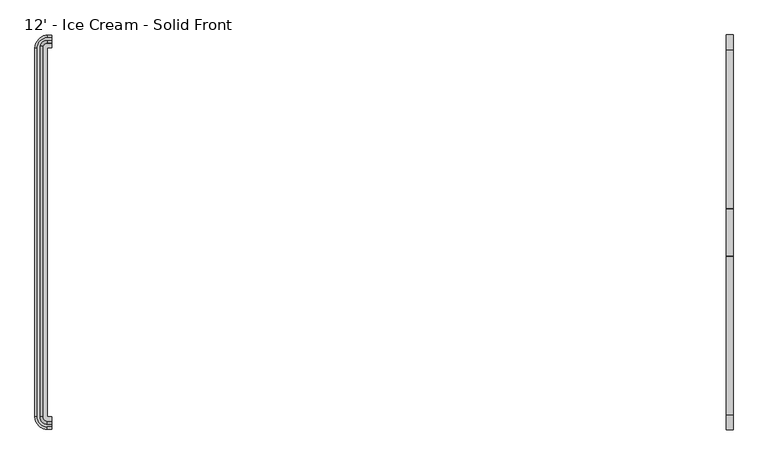
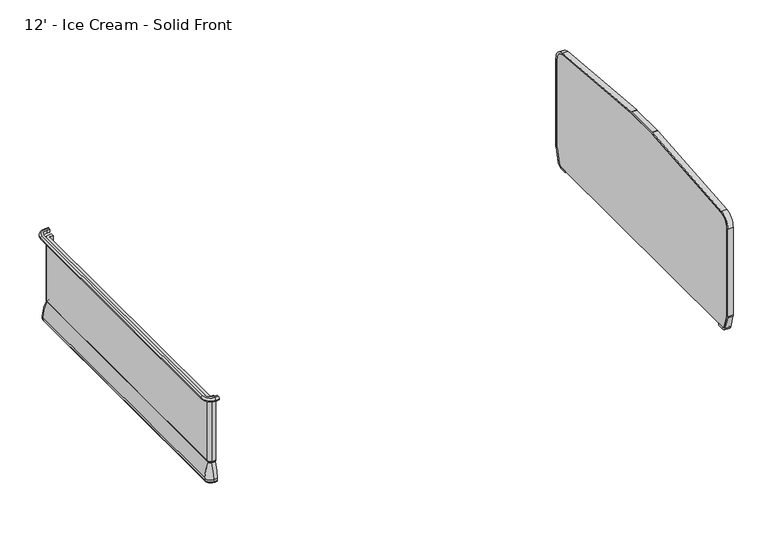
"""IFC4 building model written with IfcOpenShell, lengths in millimetres: proxy geometry, 12' - Ice Cream - Solid Front."""

from ifc_helpers import new_model, si_unit, point, frame, frame_2d, origin, place, context, project, spatial, polyline, circle_curve, ellipse_curve, trimmed, segment, composite_curve, outline, extrude, source, transform, mapped, element, save
from ifc_brep_helpers import plane_surface, cylinder_surface, revolved_surface, advanced_brep


def proxy_12_ice_cream_solid_front_b68ab770(model_context):
    return source(origin(), model_context, "Body", "SolidModel", [
        extrude(outline(composite_curve([segment(trimmed(circle_curve(frame_2d((-448.7907325, 105.4346764)), 25.4), [point((-448.7907325, 80.0346764))], [point((-424.3934681, 98.3683131))], True, "CARTESIAN"), True, "CONTINUOUS"), segment(polyline([(-424.3934681, 98.3683131), (-396.5553629, 194.4819131)]), True, "CONTINUOUS"), segment(trimmed(circle_curve(frame_2d((-420.9526273, 201.5482764)), 25.4), [point((-396.5553629, 194.4819131))], [point((-395.5526273, 201.5482764))], True, "CARTESIAN"), True, "CONTINUOUS"), segment(polyline([(-395.5526273, 201.5482764), (-395.5526273, 867.4346764)]), True, "CONTINUOUS"), segment(trimmed(circle_curve(frame_2d((-471.7526273, 867.4346764)), 76.2), [point((-395.5526273, 867.4346764))], [point((-465.008014, 943.3355999))], True, "CARTESIAN"), True, "CONTINUOUS"), segment(polyline([(-465.008014, 943.3355999), (-1324.7732229, 1019.7349842)]), True, "CONTINUOUS"), segment(trimmed(circle_curve(frame_2d((-1327.0214273, 994.4346764)), 25.4), [point((-1324.7732229, 1019.7349842))], [point((-1327.0214273, 1019.8346764))], True, "CARTESIAN"), True, "CONTINUOUS"), segment(polyline([(-1327.0214273, 1019.8346764), (-1581.0214273, 1019.8346764)]), True, "CONTINUOUS"), segment(trimmed(circle_curve(frame_2d((-1581.0214273, 994.4346764)), 25.4), [point((-1581.0214273, 1019.8346764))], [point((-1583.2696317, 1019.7349842))], True, "CARTESIAN"), True, "CONTINUOUS"), segment(polyline([(-1583.2696317, 1019.7349842), (-2443.0348406, 943.3355999)]), True, "CONTINUOUS"), segment(trimmed(circle_curve(frame_2d((-2436.2902273, 867.4346764)), 76.2), [point((-2443.0348406, 943.3355999))], [point((-2512.4902273, 867.4346764))], True, "CARTESIAN"), True, "CONTINUOUS"), segment(polyline([(-2512.4902273, 867.4346764), (-2512.4902273, 201.5482764)]), True, "CONTINUOUS"), segment(trimmed(circle_curve(frame_2d((-2487.0902273, 201.5482764)), 25.4), [point((-2512.4902273, 201.5482764))], [point((-2511.4874917, 194.4819131))], True, "CARTESIAN"), True, "CONTINUOUS"), segment(polyline([(-2511.4874917, 194.4819131), (-2483.6493865, 98.3683131)]), True, "CONTINUOUS"), segment(trimmed(circle_curve(frame_2d((-2459.2521221, 105.4346764)), 25.4), [point((-2483.6493865, 98.3683131))], [point((-2459.2521221, 80.0346764))], True, "CARTESIAN"), True, "CONTINUOUS"), segment(polyline([(-2459.2521221, 80.0346764), (-2409.6329734, 80.0346764), (-2409.6329734, 67.3346764), (-2459.2521221, 67.3346764)]), True, "CONTINUOUS"), segment(trimmed(circle_curve(frame_2d((-2459.2521221, 105.4346764)), 38.1), [point((-2459.2521221, 67.3346764))], [point((-2495.8480186, 94.8351315))], False, "CARTESIAN"), True, "CONTINUOUS"), segment(polyline([(-2495.8480186, 94.8351315), (-2523.6861239, 190.9487315)]), True, "CONTINUOUS"), segment(trimmed(circle_curve(frame_2d((-2487.0902273, 201.5482764)), 38.1), [point((-2523.6861239, 190.9487315))], [point((-2525.1902273, 201.5482764))], False, "CARTESIAN"), True, "CONTINUOUS"), segment(polyline([(-2525.1902273, 201.5482764), (-2525.1902273, 867.4346764)]), True, "CONTINUOUS"), segment(trimmed(circle_curve(frame_2d((-2436.2902273, 867.4346764)), 88.9), [point((-2525.1902273, 867.4346764))], [point((-2444.1589428, 955.9857538))], False, "CARTESIAN"), True, "CONTINUOUS"), segment(polyline([(-2444.1589428, 955.9857538), (-1584.3937339, 1032.3851381)]), True, "CONTINUOUS"), segment(trimmed(circle_curve(frame_2d((-1581.0214273, 994.4346764)), 38.1), [point((-1584.3937339, 1032.3851381))], [point((-1581.0214273, 1032.5346764))], False, "CARTESIAN"), True, "CONTINUOUS"), segment(polyline([(-1581.0214273, 1032.5346764), (-1327.0214273, 1032.5346764)]), True, "CONTINUOUS"), segment(trimmed(circle_curve(frame_2d((-1327.0214273, 994.4346764)), 38.1), [point((-1327.0214273, 1032.5346764))], [point((-1323.6491207, 1032.3851381))], False, "CARTESIAN"), True, "CONTINUOUS"), segment(polyline([(-1323.6491207, 1032.3851381), (-463.8839118, 955.9857538)]), True, "CONTINUOUS"), segment(trimmed(circle_curve(frame_2d((-471.7526273, 867.4346764)), 88.9), [point((-463.8839118, 955.9857538))], [point((-382.8526273, 867.4346764))], False, "CARTESIAN"), True, "CONTINUOUS"), segment(polyline([(-382.8526273, 867.4346764), (-382.8526273, 201.5482764)]), True, "CONTINUOUS"), segment(trimmed(circle_curve(frame_2d((-420.9526273, 201.5482764)), 38.1), [point((-382.8526273, 201.5482764))], [point((-384.3567307, 190.9487315))], False, "CARTESIAN"), True, "CONTINUOUS"), segment(polyline([(-384.3567307, 190.9487315), (-412.1948359, 94.8351315)]), True, "CONTINUOUS"), segment(trimmed(circle_curve(frame_2d((-448.7907325, 105.4346764)), 38.1), [point((-412.1948359, 94.8351315))], [point((-448.7907325, 67.3346764))], False, "CARTESIAN"), True, "CONTINUOUS"), segment(polyline([(-448.7907325, 67.3346764), (-498.4098812, 67.3346764), (-498.4098812, 80.0346764), (-448.7907325, 80.0346764)]), True, "CONTINUOUS")], self_intersect=False)), frame((3657.6, 0.0, 0.0), z_axis=(1.0, 0.0, 0.0), x_axis=(0.0, 1.0, 0.0)), (0.0, 0.0, 1.0), 38.1),
        extrude(outline(composite_curve([segment(polyline([(-448.7907325, 80.0346764), (-2459.2521221, 80.0346764)]), True, "CONTINUOUS"), segment(trimmed(circle_curve(frame_2d((-2459.2521221, 105.4346764)), 25.4), [point((-2459.2521221, 80.0346764))], [point((-2483.6493865, 98.3683131))], False, "CARTESIAN"), True, "CONTINUOUS"), segment(polyline([(-2483.6493865, 98.3683131), (-2511.4874917, 194.4819131)]), True, "CONTINUOUS"), segment(trimmed(circle_curve(frame_2d((-2487.0902273, 201.5482764)), 25.4), [point((-2511.4874917, 194.4819131))], [point((-2512.4902273, 201.5482764))], False, "CARTESIAN"), True, "CONTINUOUS"), segment(polyline([(-2512.4902273, 201.5482764), (-2512.4902273, 867.4346764)]), True, "CONTINUOUS"), segment(trimmed(circle_curve(frame_2d((-2436.2902273, 867.4346764)), 76.2), [point((-2512.4902273, 867.4346764))], [point((-2443.0348406, 943.3355999))], False, "CARTESIAN"), True, "CONTINUOUS"), segment(polyline([(-2443.0348406, 943.3355999), (-1583.2696317, 1019.7349842)]), True, "CONTINUOUS"), segment(trimmed(circle_curve(frame_2d((-1581.0214273, 994.4346764)), 25.4), [point((-1583.2696317, 1019.7349842))], [point((-1581.0214273, 1019.8346764))], False, "CARTESIAN"), True, "CONTINUOUS"), segment(polyline([(-1581.0214273, 1019.8346764), (-1327.0214273, 1019.8346764)]), True, "CONTINUOUS"), segment(trimmed(circle_curve(frame_2d((-1327.0214273, 994.4346764)), 25.4), [point((-1327.0214273, 1019.8346764))], [point((-1324.7732229, 1019.7349842))], False, "CARTESIAN"), True, "CONTINUOUS"), segment(polyline([(-1324.7732229, 1019.7349842), (-465.008014, 943.3355999)]), True, "CONTINUOUS"), segment(trimmed(circle_curve(frame_2d((-471.7526273, 867.4346764)), 76.2), [point((-465.008014, 943.3355999))], [point((-395.5526273, 867.4346764))], False, "CARTESIAN"), True, "CONTINUOUS"), segment(polyline([(-395.5526273, 867.4346764), (-395.5526273, 201.5482764)]), True, "CONTINUOUS"), segment(trimmed(circle_curve(frame_2d((-420.9526273, 201.5482764)), 25.4), [point((-395.5526273, 201.5482764))], [point((-396.5553629, 194.4819131))], False, "CARTESIAN"), True, "CONTINUOUS"), segment(polyline([(-396.5553629, 194.4819131), (-424.3934681, 98.3683131)]), True, "CONTINUOUS"), segment(trimmed(circle_curve(frame_2d((-448.7907325, 105.4346764)), 25.4), [point((-424.3934681, 98.3683131))], [point((-448.7907325, 80.0346764))], False, "CARTESIAN"), True, "CONTINUOUS")], self_intersect=False)), frame((3657.6, 0.0, 0.0), z_axis=(1.0, 0.0, 0.0), x_axis=(0.0, 1.0, 0.0)), (0.0, 0.0, 1.0), 38.1),
        advanced_brep(
        [(0.0, -2509.5631602, 866.4774073), (0.0, -2522.2631602, 853.7774073), (0.0, -2509.5631602, 841.0774073), (0.0, -2497.1486734, 841.0774073), (0.0, -2497.1486734, 866.4774073), (-23.8125, -2509.5631602, 866.4774073), (-23.8125, -2522.2631602, 853.7774073), (-23.8125, -2509.5631602, 841.0774073), (-79.2292329, -2454.1464273, 841.0774073), (-79.2292329, -453.8964273, 841.0774073), (-23.8125, -398.4796944, 841.0774073), (0.0, -398.4796944, 841.0774073), (0.0, -410.8941812, 841.0774073), (-23.8125, -410.8941812, 841.0774073), (-66.8147461, -453.8964273, 841.0774073), (-66.8147461, -2454.1464273, 841.0774073), (-23.8125, -2497.1486734, 841.0774073), (-23.8125, -2497.1486734, 866.4774073), (-66.8147461, -2454.1464273, 866.4774073), (-66.8147461, -453.8964273, 866.4774073), (-23.8125, -410.8941812, 866.4774073), (0.0, -410.8941812, 866.4774073), (0.0, -398.4796944, 866.4774073), (-23.8125, -398.4796944, 866.4774073), (-79.2292329, -453.8964273, 866.4774073), (-79.2292329, -2454.1464273, 866.4774073), (-91.9292329, -2454.1464273, 853.7774073), (-91.9292329, -453.8964273, 853.7774073), (-23.8125, -385.7796944, 853.7774073), (0.0, -385.7796944, 853.7774073)],
        [
            (0, 1, circle_curve(frame((0.0, -2509.5631602, 853.7774073), z_axis=(1.0, 0.0, 0.0), x_axis=(0.0, -1.0, 0.0)), 12.7)),
            (1, 2, circle_curve(frame((0.0, -2509.5631602, 853.7774073), z_axis=(1.0, 0.0, 0.0), x_axis=(0.0, -1.0, 0.0)), 12.7)),
            (2, 3),
            (3, 4),
            (4, 0),
            (0, 5),
            (5, 6, circle_curve(frame((-23.8125, -2509.5631602, 853.7774073), z_axis=(1.0, 0.0, 0.0), x_axis=(0.0, -1.0, 0.0)), 12.7)),
            (6, 1),
            (6, 7, circle_curve(frame((-23.8125, -2509.5631602, 853.7774073), z_axis=(1.0, 0.0, 0.0), x_axis=(0.0, -1.0, 0.0)), 12.7)),
            (7, 2),
            (7, 8, circle_curve(frame((-23.8125, -2454.1464273, 841.0774073), z_axis=(0.0, 0.0, -1.0), x_axis=(0.0, -1.0, 0.0)), 55.4167329)),
            (8, 9),
            (9, 10, circle_curve(frame((-23.8125, -453.8964273, 841.0774073), z_axis=(0.0, 0.0, -1.0), x_axis=(-1.0, 0.0, 0.0)), 55.4167329)),
            (10, 11),
            (11, 12),
            (12, 13),
            (13, 14, circle_curve(frame((-23.8125, -453.8964273, 841.0774073), z_axis=(0.0, 0.0, 1.0), x_axis=(-1.0, 0.0, 0.0)), 43.0022461)),
            (14, 15),
            (15, 16, circle_curve(frame((-23.8125, -2454.1464273, 841.0774073), z_axis=(0.0, 0.0, 1.0), x_axis=(0.0, -1.0, 0.0)), 43.0022461)),
            (16, 3),
            (16, 17),
            (17, 4),
            (17, 18, circle_curve(frame((-23.8125, -2454.1464273, 866.4774073), z_axis=(0.0, 0.0, -1.0), x_axis=(0.0, -1.0, 0.0)), 43.0022461)),
            (18, 19),
            (19, 20, circle_curve(frame((-23.8125, -453.8964273, 866.4774073), z_axis=(0.0, 0.0, -1.0), x_axis=(-1.0, 0.0, 0.0)), 43.0022461)),
            (20, 21),
            (21, 22),
            (22, 23),
            (23, 24, circle_curve(frame((-23.8125, -453.8964273, 866.4774073), z_axis=(0.0, 0.0, 1.0), x_axis=(-1.0, 0.0, 0.0)), 55.4167329)),
            (24, 25),
            (25, 5, circle_curve(frame((-23.8125, -2454.1464273, 866.4774073), z_axis=(0.0, 0.0, 1.0), x_axis=(0.0, -1.0, 0.0)), 55.4167329)),
            (26, 6, circle_curve(frame((-23.8125, -2454.1464273, 853.7774073), z_axis=(0.0, 0.0, 1.0), x_axis=(0.0, -1.0, 0.0)), 68.1167329)),
            (25, 26, circle_curve(frame((-79.2292329, -2454.1464273, 853.7774073), z_axis=(0.0, -1.0, 0.0), x_axis=(-1.0, 0.0, 0.0)), 12.7)),
            (26, 8, circle_curve(frame((-79.2292329, -2454.1464273, 853.7774073), z_axis=(0.0, -1.0, 0.0), x_axis=(-1.0, 0.0, 0.0)), 12.7)),
            (15, 18),
            (24, 27, circle_curve(frame((-79.2292329, -453.8964273, 853.7774073), z_axis=(0.0, -1.0, 0.0), x_axis=(-1.0, 0.0, 0.0)), 12.7)),
            (27, 26),
            (27, 9, circle_curve(frame((-79.2292329, -453.8964273, 853.7774073), z_axis=(0.0, -1.0, 0.0), x_axis=(-1.0, 0.0, 0.0)), 12.7)),
            (14, 19),
            (28, 27, circle_curve(frame((-23.8125, -453.8964273, 853.7774073), z_axis=(0.0, 0.0, 1.0), x_axis=(-1.0, 0.0, 0.0)), 68.1167329)),
            (23, 28, circle_curve(frame((-23.8125, -398.4796944, 853.7774073), z_axis=(-1.0, 0.0, 0.0), x_axis=(0.0, 1.0, 0.0)), 12.7)),
            (28, 10, circle_curve(frame((-23.8125, -398.4796944, 853.7774073), z_axis=(-1.0, 0.0, 0.0), x_axis=(0.0, 1.0, 0.0)), 12.7)),
            (13, 20),
            (21, 12),
            (11, 29, circle_curve(frame((0.0, -398.4796944, 853.7774073), z_axis=(1.0, 0.0, 0.0), x_axis=(0.0, 1.0, 0.0)), 12.7)),
            (29, 22, circle_curve(frame((0.0, -398.4796944, 853.7774073), z_axis=(1.0, 0.0, 0.0), x_axis=(0.0, 1.0, 0.0)), 12.7)),
            (29, 28),
        ],
        [
            plane_surface(frame((0.0, -2506.5339273, -50.8), z_axis=(1.0, 0.0, 0.0), x_axis=(0.0, 0.0, 1.0))),
            cylinder_surface(frame((0.0, -2509.5631602, 853.7774073), z_axis=(1.0, 0.0, 0.0), x_axis=(0.0, -1.0, 0.0)), 12.7),
            plane_surface(frame((0.0, -2509.5631602, 841.0774073), z_axis=(0.0, 0.0, -1.0), x_axis=(-1.0, 0.0, 0.0))),
            plane_surface(frame((0.0, -2497.1486734, 841.0774073), z_axis=(0.0, 1.0, 0.0), x_axis=(-1.0, 0.0, 0.0))),
            plane_surface(frame((0.0, -2497.1486734, 866.4774073), z_axis=(0.0, 0.0, 1.0), x_axis=(-1.0, 0.0, 0.0))),
            revolved_surface(trimmed(ellipse_curve(frame((-23.8125, -2509.5631602, 853.7774073), z_axis=(1.0, 0.0, 0.0), x_axis=(0.0, -1.0, 0.0)), 12.7, 12.7), [point((-23.8125, -2509.5631602, 866.4774073))], [point((-23.8125, -2522.2631602, 853.7774073))], True, "CARTESIAN"), (-23.8125, -2454.1464273, -50.8), (0.0, 0.0, -1.0)),
            revolved_surface(trimmed(ellipse_curve(frame((-23.8125, -2509.5631602, 853.7774073), z_axis=(1.0, 0.0, 0.0), x_axis=(0.0, -1.0, 0.0)), 12.7, 12.7), [point((-23.8125, -2522.2631602, 853.7774073))], [point((-23.8125, -2509.5631602, 841.0774073))], True, "CARTESIAN"), (-23.8125, -2454.1464273, -50.8), (0.0, 0.0, -1.0)),
            revolved_surface(polyline([(-23.8125, -2497.1486734, 841.0774073), (-23.8125, -2497.1486734, 866.4774073)]), (-23.8125, -2454.1464273, -50.8), (0.0, 0.0, -1.0)),
            cylinder_surface(frame((-79.2292329, -2454.1464273, 853.7774073), z_axis=(0.0, -1.0, 0.0), x_axis=(-1.0, 0.0, 0.0)), 12.7),
            plane_surface(frame((-66.8147461, -2454.1464273, 841.0774073), z_axis=(1.0, 0.0, 0.0), x_axis=(0.0, 1.0, 0.0))),
            revolved_surface(trimmed(ellipse_curve(frame((-79.2292329, -453.8964273, 853.7774073), z_axis=(0.0, -1.0, 0.0), x_axis=(-1.0, 0.0, 0.0)), 12.7, 12.7), [point((-79.2292329, -453.8964273, 866.4774073))], [point((-91.9292329, -453.8964273, 853.7774073))], True, "CARTESIAN"), (-23.8125, -453.8964273, -50.8), (0.0, 0.0, -1.0)),
            revolved_surface(trimmed(ellipse_curve(frame((-79.2292329, -453.8964273, 853.7774073), z_axis=(0.0, -1.0, 0.0), x_axis=(-1.0, 0.0, 0.0)), 12.7, 12.7), [point((-91.9292329, -453.8964273, 853.7774073))], [point((-79.2292329, -453.8964273, 841.0774073))], True, "CARTESIAN"), (-23.8125, -453.8964273, -50.8), (0.0, 0.0, -1.0)),
            revolved_surface(polyline([(-66.81474610000001, -453.8964273, 841.0774073), (-66.81474610000001, -453.8964273, 866.4774073)]), (-23.8125, -453.8964273, -50.8), (0.0, 0.0, -1.0)),
            plane_surface(frame((0.0, -401.5089273, -50.8), z_axis=(1.0, 0.0, 0.0), x_axis=(0.0, 0.0, 1.0))),
            cylinder_surface(frame((-23.8125, -398.4796944, 853.7774073), z_axis=(-1.0, 0.0, 0.0), x_axis=(0.0, 1.0, 0.0)), 12.7),
            plane_surface(frame((-23.8125, -410.8941812, 841.0774073), z_axis=(0.0, -1.0, 0.0), x_axis=(1.0, 0.0, 0.0))),
        ],
        [
            (0, [[1, 2, 3, 4, 5]]),
            (1, [[-1, 6, 7, 8]]),
            (1, [[-2, -8, 9, 10]]),
            (2, [[-3, -10, 11, 12, 13, 14, 15, 16, 17, 18, 19, 20]]),
            (3, [[-4, -20, 21, 22]]),
            (4, [[-5, -22, 23, 24, 25, 26, 27, 28, 29, 30, 31, -6]]),
            (5, [[32, -7, -31, 33]]),
            (6, [[-11, -9, -32, 34]]),
            (7, [[-23, -21, -19, 35]]),
            (8, [[-33, -30, 36, 37]]),
            (8, [[-34, -37, 38, -12]]),
            (9, [[-35, -18, 39, -24]]),
            (10, [[40, -36, -29, 41]]),
            (11, [[-13, -38, -40, 42]]),
            (12, [[-25, -39, -17, 43]]),
            (13, [[-27, 44, -15, 45, 46]]),
            (14, [[-41, -28, -46, 47]]),
            (14, [[-42, -47, -45, -14]]),
            (15, [[-43, -16, -44, -26]]),
        ],
    ),
        advanced_brep(
        [(0.0, -2454.774197, 212.6925638), (0.0, -2454.774197, 358.1075638), (0.0, -2459.036449, 358.1075638), (0.0, -2459.036449, 353.8876761), (0.0, -2470.5758305, 346.6306987), (0.0, -2497.4082007, 235.3283913), (0.0, -2497.4082007, 218.3404259), (0.0, -2489.2203386, 210.1525638), (0.0, -2484.436449, 210.1525638), (0.0, -2484.436449, 212.6925638), (0.0, -444.5374076, 212.6925638), (0.0, -414.8751556, 212.6925638), (0.0, -414.8751556, 210.1525638), (0.0, -410.091266, 210.1525638), (0.0, -401.9034039, 218.3404259), (0.0, -401.9034039, 235.3283913), (0.0, -428.7357741, 346.6306987), (0.0, -440.2751556, 353.8876761), (0.0, -440.2751556, 358.1075638), (0.0, -444.5374076, 358.1075638), (-23.8125, -2454.774197, 212.6925638), (-23.8125, -2454.774197, 358.1075638), (-24.4402697, -2454.1464273, 358.1075638), (-24.4402697, -445.1651773, 358.1075638), (-23.8125, -444.5374076, 358.1075638), (-23.8125, -440.2751556, 358.1075638), (-28.7025217, -445.1651773, 358.1075638), (-28.7025217, -2454.1464273, 358.1075638), (-23.8125, -2459.036449, 358.1075638), (-23.8125, -2459.036449, 353.8876761), (-23.8125, -2470.5758305, 346.6306987), (-23.8125, -2497.4082007, 235.3283913), (-23.8125, -2497.4082007, 218.3404259), (-23.8125, -2489.2203386, 210.1525638), (-58.8864113, -2454.1464273, 210.1525638), (-58.8864113, -445.1651773, 210.1525638), (-23.8125, -410.091266, 210.1525638), (-23.8125, -414.8751556, 210.1525638), (-54.1025217, -445.1651773, 210.1525638), (-54.1025217, -2454.1464273, 210.1525638), (-23.8125, -2484.436449, 210.1525638), (-23.8125, -2484.436449, 212.6925638), (-54.1025217, -2454.1464273, 212.6925638), (-54.1025217, -445.1651773, 212.6925638), (-23.8125, -414.8751556, 212.6925638), (-23.8125, -444.5374076, 212.6925638), (-24.4402697, -445.1651773, 212.6925638), (-24.4402697, -2454.1464273, 212.6925638), (-28.7025217, -2454.1464273, 353.8876761), (-40.2419032, -2454.1464273, 346.6306987), (-67.0742734, -2454.1464273, 235.3283913), (-67.0742734, -2454.1464273, 218.3404259), (-28.7025217, -445.1651773, 353.8876761), (-40.2419032, -445.1651773, 346.6306987), (-67.0742734, -445.1651773, 235.3283913), (-67.0742734, -445.1651773, 218.3404259), (-23.8125, -440.2751556, 353.8876761), (-23.8125, -428.7357741, 346.6306987), (-23.8125, -401.9034039, 235.3283913), (-23.8125, -401.9034039, 218.3404259)],
        [
            (0, 1),
            (1, 2),
            (2, 3),
            (3, 4, circle_curve(frame((0.0, -2459.1012802, 341.1878416), z_axis=(1.0, 0.0, 0.0), x_axis=(0.0, -1.0, 0.0)), 12.7)),
            (4, 5, circle_curve(frame((0.0, -2218.1357225, 226.8878416), z_axis=(1.0, 0.0, 0.0), x_axis=(0.0, -1.0, 0.0)), 279.4)),
            (5, 6),
            (6, 7, circle_curve(frame((0.0, -2489.2203386, 218.3404259), z_axis=(1.0, 0.0, 0.0), x_axis=(0.0, -1.0, 0.0)), 8.1878621)),
            (7, 8),
            (8, 9),
            (9, 0),
            (10, 11),
            (11, 12),
            (12, 13),
            (13, 14, circle_curve(frame((0.0, -410.091266, 218.3404259), z_axis=(1.0, 0.0, 0.0), x_axis=(0.0, 1.0, 0.0)), 8.1878621)),
            (14, 15),
            (15, 16, circle_curve(frame((0.0, -681.1758821, 226.8878416), z_axis=(1.0, 0.0, 0.0), x_axis=(0.0, 1.0, 0.0)), 279.4)),
            (16, 17, circle_curve(frame((0.0, -440.2103244, 341.1878416), z_axis=(1.0, 0.0, 0.0), x_axis=(0.0, 1.0, 0.0)), 12.7)),
            (17, 18),
            (18, 19),
            (19, 10),
            (0, 20),
            (20, 21),
            (21, 1),
            (21, 22, circle_curve(frame((-23.8125, -2454.1464273, 358.1075638), z_axis=(0.0, 0.0, -1.0), x_axis=(0.0, -1.0, 0.0)), 0.6277697)),
            (22, 23),
            (23, 24, circle_curve(frame((-23.8125, -445.1651773, 358.1075638), z_axis=(0.0, 0.0, -1.0), x_axis=(-1.0, 0.0, 0.0)), 0.6277697)),
            (24, 19),
            (18, 25),
            (25, 26, circle_curve(frame((-23.8125, -445.1651773, 358.1075638), z_axis=(0.0, 0.0, 1.0), x_axis=(-1.0, 0.0, 0.0)), 4.8900217)),
            (26, 27),
            (27, 28, circle_curve(frame((-23.8125, -2454.1464273, 358.1075638), z_axis=(0.0, 0.0, 1.0), x_axis=(0.0, -1.0, 0.0)), 4.8900217)),
            (28, 2),
            (28, 29),
            (29, 3),
            (29, 30, circle_curve(frame((-23.8125, -2459.1012802, 341.1878416), z_axis=(1.0, 0.0, 0.0), x_axis=(0.0, -1.0, 0.0)), 12.7)),
            (30, 4),
            (30, 31, circle_curve(frame((-23.8125, -2218.1357225, 226.8878416), z_axis=(1.0, 0.0, 0.0), x_axis=(0.0, -1.0, 0.0)), 279.4)),
            (31, 5),
            (31, 32),
            (32, 6),
            (7, 33),
            (33, 34, circle_curve(frame((-23.8125, -2454.1464273, 210.1525638), z_axis=(0.0, 0.0, -1.0), x_axis=(0.0, -1.0, 0.0)), 35.0739113)),
            (34, 35),
            (35, 36, circle_curve(frame((-23.8125, -445.1651773, 210.1525638), z_axis=(0.0, 0.0, -1.0), x_axis=(-1.0, 0.0, 0.0)), 35.0739113)),
            (36, 13),
            (12, 37),
            (37, 38, circle_curve(frame((-23.8125, -445.1651773, 210.1525638), z_axis=(0.0, 0.0, 1.0), x_axis=(-1.0, 0.0, 0.0)), 30.2900217)),
            (38, 39),
            (39, 40, circle_curve(frame((-23.8125, -2454.1464273, 210.1525638), z_axis=(0.0, 0.0, 1.0), x_axis=(0.0, -1.0, 0.0)), 30.2900217)),
            (40, 8),
            (40, 41),
            (41, 9),
            (41, 42, circle_curve(frame((-23.8125, -2454.1464273, 212.6925638), z_axis=(0.0, 0.0, -1.0), x_axis=(0.0, -1.0, 0.0)), 30.2900217)),
            (42, 43),
            (43, 44, circle_curve(frame((-23.8125, -445.1651773, 212.6925638), z_axis=(0.0, 0.0, -1.0), x_axis=(-1.0, 0.0, 0.0)), 30.2900217)),
            (44, 11),
            (10, 45),
            (45, 46, circle_curve(frame((-23.8125, -445.1651773, 212.6925638), z_axis=(0.0, 0.0, 1.0), x_axis=(-1.0, 0.0, 0.0)), 0.6277697)),
            (46, 47),
            (47, 20, circle_curve(frame((-23.8125, -2454.1464273, 212.6925638), z_axis=(0.0, 0.0, 1.0), x_axis=(0.0, -1.0, 0.0)), 0.6277697)),
            (47, 22),
            (48, 29, circle_curve(frame((-23.8125, -2454.1464273, 353.8876761), z_axis=(0.0, 0.0, 1.0), x_axis=(0.0, -1.0, 0.0)), 4.8900217)),
            (27, 48),
            (49, 30, circle_curve(frame((-23.8125, -2454.1464273, 346.6306987), z_axis=(0.0, 0.0, 1.0), x_axis=(0.0, -1.0, 0.0)), 16.4294032)),
            (48, 49, circle_curve(frame((-28.7673529, -2454.1464273, 341.1878416), z_axis=(0.0, -1.0, 0.0), x_axis=(-1.0, 0.0, 0.0)), 12.7)),
            (50, 31, circle_curve(frame((-23.8125, -2454.1464273, 235.3283913), z_axis=(0.0, 0.0, 1.0), x_axis=(0.0, -1.0, 0.0)), 43.2617734)),
            (49, 50, circle_curve(frame((212.1982048, -2454.1464273, 226.8878416), z_axis=(0.0, -1.0, 0.0), x_axis=(-1.0, 0.0, 0.0)), 279.4)),
            (51, 32, circle_curve(frame((-23.8125, -2454.1464273, 218.3404259), z_axis=(0.0, 0.0, 1.0), x_axis=(0.0, -1.0, 0.0)), 43.2617734)),
            (50, 51),
            (39, 42),
            (46, 23),
            (26, 52),
            (52, 48),
            (52, 53, circle_curve(frame((-28.7673529, -445.1651773, 341.1878416), z_axis=(0.0, -1.0, 0.0), x_axis=(-1.0, 0.0, 0.0)), 12.7)),
            (53, 49),
            (53, 54, circle_curve(frame((212.1982048, -445.1651773, 226.8878416), z_axis=(0.0, -1.0, 0.0), x_axis=(-1.0, 0.0, 0.0)), 279.4)),
            (54, 50),
            (54, 55),
            (55, 51),
            (38, 43),
            (45, 24),
            (56, 52, circle_curve(frame((-23.8125, -445.1651773, 353.8876761), z_axis=(0.0, 0.0, 1.0), x_axis=(-1.0, 0.0, 0.0)), 4.8900217)),
            (25, 56),
            (57, 53, circle_curve(frame((-23.8125, -445.1651773, 346.6306987), z_axis=(0.0, 0.0, 1.0), x_axis=(-1.0, 0.0, 0.0)), 16.4294032)),
            (56, 57, circle_curve(frame((-23.8125, -440.2103244, 341.1878416), z_axis=(-1.0, 0.0, 0.0), x_axis=(0.0, 1.0, 0.0)), 12.7)),
            (58, 54, circle_curve(frame((-23.8125, -445.1651773, 235.3283913), z_axis=(0.0, 0.0, 1.0), x_axis=(-1.0, 0.0, 0.0)), 43.2617734)),
            (57, 58, circle_curve(frame((-23.8125, -681.1758821, 226.8878416), z_axis=(-1.0, 0.0, 0.0), x_axis=(0.0, 1.0, 0.0)), 279.4)),
            (59, 55, circle_curve(frame((-23.8125, -445.1651773, 218.3404259), z_axis=(0.0, 0.0, 1.0), x_axis=(-1.0, 0.0, 0.0)), 43.2617734)),
            (58, 59),
            (37, 44),
            (17, 56),
            (16, 57),
            (15, 58),
            (14, 59),
            (32, 33, circle_curve(frame((-23.8125, -2489.2203386, 218.3404259), z_axis=(1.0, 0.0, 0.0), x_axis=(0.0, -1.0, 0.0)), 8.1878621)),
            (51, 34, circle_curve(frame((-58.8864113, -2454.1464273, 218.3404259), z_axis=(0.0, -1.0, 0.0), x_axis=(-1.0, 0.0, 0.0)), 8.1878621)),
            (55, 35, circle_curve(frame((-58.8864113, -445.1651773, 218.3404259), z_axis=(0.0, -1.0, 0.0), x_axis=(-1.0, 0.0, 0.0)), 8.1878621)),
            (59, 36, circle_curve(frame((-23.8125, -410.091266, 218.3404259), z_axis=(-1.0, 0.0, 0.0), x_axis=(0.0, 1.0, 0.0)), 8.1878621)),
        ],
        [
            plane_surface(frame((0.0, -2506.5339273, 279.4), z_axis=(1.0, 0.0, 0.0), x_axis=(0.0, 0.0, 1.0))),
            plane_surface(frame((0.0, -392.7776773, 279.4), z_axis=(1.0, 0.0, 0.0), x_axis=(0.0, 0.0, 1.0))),
            plane_surface(frame((0.0, -2454.774197, 212.6925638), z_axis=(0.0, 1.0, 0.0), x_axis=(-1.0, 0.0, 0.0))),
            plane_surface(frame((0.0, -2454.774197, 358.1075638), z_axis=(0.0, 0.0, 1.0), x_axis=(-1.0, 0.0, 0.0))),
            plane_surface(frame((0.0, -2459.036449, 358.1075638), z_axis=(0.0, -1.0, 0.0), x_axis=(-1.0, 0.0, 0.0))),
            cylinder_surface(frame((0.0, -2459.1012802, 341.1878416), z_axis=(1.0, 0.0, 0.0), x_axis=(0.0, -1.0, 0.0)), 12.7),
            cylinder_surface(frame((0.0, -2218.1357225, 226.8878416), z_axis=(1.0, 0.0, 0.0), x_axis=(0.0, -1.0, 0.0)), 279.4),
            plane_surface(frame((0.0, -2497.4082007, 235.3283913), z_axis=(0.0, -1.0, 0.0), x_axis=(-1.0, 0.0, 0.0))),
            plane_surface(frame((0.0, -2489.2203386, 210.1525638), z_axis=(0.0, 0.0, -1.0), x_axis=(-1.0, 0.0, 0.0))),
            plane_surface(frame((0.0, -2484.436449, 210.1525638), z_axis=(0.0, 1.0, 0.0), x_axis=(-1.0, 0.0, 0.0))),
            plane_surface(frame((0.0, -2484.436449, 212.6925638), z_axis=(0.0, 0.0, -1.0), x_axis=(-1.0, 0.0, 0.0))),
            revolved_surface(polyline([(-23.8125, -2454.774197, 212.6925638), (-23.8125, -2454.774197, 358.1075638)]), (-23.8125, -2454.1464273, 279.4), (0.0, 0.0, -1.0)),
            cylinder_surface(frame((-23.8125, -2454.1464273, 279.4), z_axis=(0.0, 0.0, -1.0), x_axis=(0.0, -1.0, 0.0)), 4.8900217),
            revolved_surface(trimmed(ellipse_curve(frame((-23.8125, -2459.1012802, 341.1878416), z_axis=(1.0, 0.0, 0.0), x_axis=(0.0, -1.0, 0.0)), 12.7, 12.7), [point((-23.8125, -2459.036449, 353.8876761))], [point((-23.8125, -2470.5758305, 346.6306987))], True, "CARTESIAN"), (-23.8125, -2454.1464273, 279.4), (0.0, 0.0, -1.0)),
            revolved_surface(trimmed(ellipse_curve(frame((-23.8125, -2218.1357225, 226.8878416), z_axis=(1.0, 0.0, 0.0), x_axis=(0.0, -1.0, 0.0)), 279.4, 279.4), [point((-23.8125, -2470.5758305, 346.6306987))], [point((-23.8125, -2497.4082007, 235.3283913))], True, "CARTESIAN"), (-23.8125, -2454.1464273, 279.4), (0.0, 0.0, -1.0)),
            cylinder_surface(frame((-23.8125, -2454.1464273, 279.4), z_axis=(0.0, 0.0, -1.0), x_axis=(0.0, -1.0, 0.0)), 43.2617734),
            revolved_surface(polyline([(-23.8125, -2484.4364490000003, 210.1525638), (-23.8125, -2484.4364490000003, 212.6925638)]), (-23.8125, -2454.1464273, 279.4), (0.0, 0.0, -1.0)),
            plane_surface(frame((-24.4402697, -2454.1464273, 212.6925638), z_axis=(1.0, 0.0, 0.0), x_axis=(0.0, 1.0, 0.0))),
            plane_surface(frame((-28.7025217, -2454.1464273, 358.1075638), z_axis=(-1.0, 0.0, 0.0), x_axis=(0.0, 1.0, 0.0))),
            cylinder_surface(frame((-28.7673529, -2454.1464273, 341.1878416), z_axis=(0.0, -1.0, 0.0), x_axis=(-1.0, 0.0, 0.0)), 12.7),
            cylinder_surface(frame((212.1982048, -2454.1464273, 226.8878416), z_axis=(0.0, -1.0, 0.0), x_axis=(-1.0, 0.0, 0.0)), 279.4),
            plane_surface(frame((-67.0742734, -2454.1464273, 235.3283913), z_axis=(-1.0, 0.0, 0.0), x_axis=(0.0, 1.0, 0.0))),
            plane_surface(frame((-54.1025217, -2454.1464273, 210.1525638), z_axis=(1.0, 0.0, 0.0), x_axis=(0.0, 1.0, 0.0))),
            revolved_surface(polyline([(-24.4402697, -445.1651773, 212.6925638), (-24.4402697, -445.1651773, 358.1075638)]), (-23.8125, -445.1651773, 279.4), (0.0, 0.0, -1.0)),
            cylinder_surface(frame((-23.8125, -445.1651773, 279.4), z_axis=(0.0, 0.0, -1.0), x_axis=(-1.0, 0.0, 0.0)), 4.8900217),
            revolved_surface(trimmed(ellipse_curve(frame((-28.7673529, -445.1651773, 341.1878416), z_axis=(0.0, -1.0, 0.0), x_axis=(-1.0, 0.0, 0.0)), 12.7, 12.7), [point((-28.7025217, -445.1651773, 353.8876761))], [point((-40.2419032, -445.1651773, 346.6306987))], True, "CARTESIAN"), (-23.8125, -445.1651773, 279.4), (0.0, 0.0, -1.0)),
            revolved_surface(trimmed(ellipse_curve(frame((212.1982048, -445.1651773, 226.8878416), z_axis=(0.0, -1.0, 0.0), x_axis=(-1.0, 0.0, 0.0)), 279.4, 279.4), [point((-40.2419032, -445.1651773, 346.6306987))], [point((-67.0742734, -445.1651773, 235.3283913))], True, "CARTESIAN"), (-23.8125, -445.1651773, 279.4), (0.0, 0.0, -1.0)),
            cylinder_surface(frame((-23.8125, -445.1651773, 279.4), z_axis=(0.0, 0.0, -1.0), x_axis=(-1.0, 0.0, 0.0)), 43.2617734),
            revolved_surface(polyline([(-54.1025217, -445.1651773, 210.1525638), (-54.1025217, -445.1651773, 212.6925638)]), (-23.8125, -445.1651773, 279.4), (0.0, 0.0, -1.0)),
            plane_surface(frame((-23.8125, -444.5374076, 212.6925638), z_axis=(0.0, -1.0, 0.0), x_axis=(1.0, 0.0, 0.0))),
            plane_surface(frame((-23.8125, -440.2751556, 358.1075638), z_axis=(0.0, 1.0, 0.0), x_axis=(1.0, 0.0, 0.0))),
            cylinder_surface(frame((-23.8125, -440.2103244, 341.1878416), z_axis=(-1.0, 0.0, 0.0), x_axis=(0.0, 1.0, 0.0)), 12.7),
            cylinder_surface(frame((-23.8125, -681.1758821, 226.8878416), z_axis=(-1.0, 0.0, 0.0), x_axis=(0.0, 1.0, 0.0)), 279.4),
            plane_surface(frame((-23.8125, -401.9034039, 235.3283913), z_axis=(0.0, 1.0, 0.0), x_axis=(1.0, 0.0, 0.0))),
            plane_surface(frame((-23.8125, -414.8751556, 210.1525638), z_axis=(0.0, -1.0, 0.0), x_axis=(1.0, 0.0, 0.0))),
            cylinder_surface(frame((0.0, -2489.2203386, 218.3404259), z_axis=(1.0, 0.0, 0.0), x_axis=(0.0, -1.0, 0.0)), 8.1878621),
            revolved_surface(trimmed(ellipse_curve(frame((-23.8125, -2489.2203386, 218.3404259), z_axis=(1.0, 0.0, 0.0), x_axis=(0.0, -1.0, 0.0)), 8.1878621, 8.1878621), [point((-23.8125, -2497.4082007, 218.3404259))], [point((-23.8125, -2489.2203386, 210.1525638))], True, "CARTESIAN"), (-23.8125, -2454.1464273, 279.4), (0.0, 0.0, -1.0)),
            cylinder_surface(frame((-58.8864113, -2454.1464273, 218.3404259), z_axis=(0.0, -1.0, 0.0), x_axis=(-1.0, 0.0, 0.0)), 8.1878621),
            revolved_surface(trimmed(ellipse_curve(frame((-58.8864113, -445.1651773, 218.3404259), z_axis=(0.0, -1.0, 0.0), x_axis=(-1.0, 0.0, 0.0)), 8.1878621, 8.1878621), [point((-67.0742734, -445.1651773, 218.3404259))], [point((-58.8864113, -445.1651773, 210.1525638))], True, "CARTESIAN"), (-23.8125, -445.1651773, 279.4), (0.0, 0.0, -1.0)),
            cylinder_surface(frame((-23.8125, -410.091266, 218.3404259), z_axis=(-1.0, 0.0, 0.0), x_axis=(0.0, 1.0, 0.0)), 8.1878621),
        ],
        [
            (0, [[1, 2, 3, 4, 5, 6, 7, 8, 9, 10]]),
            (1, [[11, 12, 13, 14, 15, 16, 17, 18, 19, 20]]),
            (2, [[-1, 21, 22, 23]]),
            (3, [[-2, -23, 24, 25, 26, 27, -19, 28, 29, 30, 31, 32]]),
            (4, [[-3, -32, 33, 34]]),
            (5, [[-4, -34, 35, 36]]),
            (6, [[-5, -36, 37, 38]]),
            (7, [[-6, -38, 39, 40]]),
            (8, [[-8, 41, 42, 43, 44, 45, -13, 46, 47, 48, 49, 50]]),
            (9, [[-9, -50, 51, 52]]),
            (10, [[-10, -52, 53, 54, 55, 56, -11, 57, 58, 59, 60, -21]]),
            (11, [[-24, -22, -60, 61]]),
            (12, [[62, -33, -31, 63]]),
            (13, [[64, -35, -62, 65]]),
            (14, [[66, -37, -64, 67]]),
            (15, [[68, -39, -66, 69]]),
            (16, [[-53, -51, -49, 70]]),
            (17, [[-61, -59, 71, -25]]),
            (18, [[-63, -30, 72, 73]]),
            (19, [[-65, -73, 74, 75]]),
            (20, [[-67, -75, 76, 77]]),
            (21, [[-69, -77, 78, 79]]),
            (22, [[-70, -48, 80, -54]]),
            (23, [[-26, -71, -58, 81]]),
            (24, [[82, -72, -29, 83]]),
            (25, [[84, -74, -82, 85]]),
            (26, [[86, -76, -84, 87]]),
            (27, [[88, -78, -86, 89]]),
            (28, [[-55, -80, -47, 90]]),
            (29, [[-81, -57, -20, -27]]),
            (30, [[-83, -28, -18, 91]]),
            (31, [[-85, -91, -17, 92]]),
            (32, [[-87, -92, -16, 93]]),
            (33, [[-89, -93, -15, 94]]),
            (34, [[-90, -46, -12, -56]]),
            (35, [[-7, -40, 95, -41]]),
            (36, [[-42, -95, -68, 96]]),
            (37, [[-96, -79, 97, -43]]),
            (38, [[-44, -97, -88, 98]]),
            (39, [[-98, -94, -14, -45]]),
        ],
    ),
        advanced_brep(
        [(0.0, -2478.2764734, 840.1995638), (0.0, -2478.2764734, 359.6315638), (0.0, -2476.7524734, 358.1075638), (0.0, -2454.774197, 358.1075638), (0.0, -2454.774197, 840.1995638), (0.0, -429.7663812, 840.1995638), (0.0, -453.2686576, 840.1995638), (0.0, -453.2686576, 358.1075638), (0.0, -431.2903812, 358.1075638), (0.0, -429.7663812, 359.6315638), (-23.8125, -2454.774197, 840.1995638), (-24.4402697, -2454.1464273, 840.1995638), (-24.4402697, -453.8964273, 840.1995638), (-23.8125, -453.2686576, 840.1995638), (-23.8125, -429.7663812, 840.1995638), (-47.9425461, -453.8964273, 840.1995638), (-47.9425461, -2454.1464273, 840.1995638), (-23.8125, -2478.2764734, 840.1995638), (-23.8125, -2454.774197, 358.1075638), (-24.4402697, -2454.1464273, 358.1075638), (-24.4402697, -453.8964273, 358.1075638), (-23.8125, -453.2686576, 358.1075638), (-23.8125, -2478.2764734, 359.6315638), (-23.8125, -2476.7524734, 358.1075638), (-46.4185461, -2454.1464273, 358.1075638), (-46.4185461, -453.8964273, 358.1075638), (-23.8125, -431.2903812, 358.1075638), (-47.9425461, -2454.1464273, 359.6315638), (-47.9425461, -453.8964273, 359.6315638), (-23.8125, -429.7663812, 359.6315638)],
        [
            (0, 1),
            (1, 2, circle_curve(frame((0.0, -2476.7524734, 359.6315638), z_axis=(1.0, 0.0, 0.0), x_axis=(0.0, -1.0, 0.0)), 1.524)),
            (2, 3),
            (3, 4),
            (4, 0),
            (5, 6),
            (6, 7),
            (7, 8),
            (8, 9, circle_curve(frame((0.0, -431.2903812, 359.6315638), z_axis=(1.0, 0.0, 0.0), x_axis=(0.0, 1.0, 0.0)), 1.524)),
            (9, 5),
            (4, 10),
            (10, 11, circle_curve(frame((-23.8125, -2454.1464273, 840.1995638), z_axis=(0.0, 0.0, -1.0), x_axis=(0.0, -1.0, 0.0)), 0.6277697)),
            (11, 12),
            (12, 13, circle_curve(frame((-23.8125, -453.8964273, 840.1995638), z_axis=(0.0, 0.0, -1.0), x_axis=(-1.0, 0.0, 0.0)), 0.6277697)),
            (13, 6),
            (5, 14),
            (14, 15, circle_curve(frame((-23.8125, -453.8964273, 840.1995638), z_axis=(0.0, 0.0, 1.0), x_axis=(-1.0, 0.0, 0.0)), 24.1300461)),
            (15, 16),
            (16, 17, circle_curve(frame((-23.8125, -2454.1464273, 840.1995638), z_axis=(0.0, 0.0, 1.0), x_axis=(0.0, -1.0, 0.0)), 24.1300461)),
            (17, 0),
            (3, 18),
            (18, 10),
            (11, 19),
            (19, 20),
            (20, 12),
            (13, 21),
            (21, 7),
            (18, 19, circle_curve(frame((-23.8125, -2454.1464273, 358.1075638), z_axis=(0.0, 0.0, -1.0), x_axis=(0.0, -1.0, 0.0)), 0.6277697)),
            (17, 22),
            (22, 1),
            (22, 23, circle_curve(frame((-23.8125, -2476.7524734, 359.6315638), z_axis=(1.0, 0.0, 0.0), x_axis=(0.0, -1.0, 0.0)), 1.524)),
            (23, 2),
            (23, 24, circle_curve(frame((-23.8125, -2454.1464273, 358.1075638), z_axis=(0.0, 0.0, -1.0), x_axis=(0.0, -1.0, 0.0)), 22.6060461)),
            (24, 25),
            (25, 26, circle_curve(frame((-23.8125, -453.8964273, 358.1075638), z_axis=(0.0, 0.0, -1.0), x_axis=(-1.0, 0.0, 0.0)), 22.6060461)),
            (26, 8),
            (21, 20, circle_curve(frame((-23.8125, -453.8964273, 358.1075638), z_axis=(0.0, 0.0, 1.0), x_axis=(-1.0, 0.0, 0.0)), 0.6277697)),
            (27, 22, circle_curve(frame((-23.8125, -2454.1464273, 359.6315638), z_axis=(0.0, 0.0, 1.0), x_axis=(0.0, -1.0, 0.0)), 24.1300461)),
            (16, 27),
            (27, 24, circle_curve(frame((-46.4185461, -2454.1464273, 359.6315638), z_axis=(0.0, -1.0, 0.0), x_axis=(-1.0, 0.0, 0.0)), 1.524)),
            (15, 28),
            (28, 27),
            (28, 25, circle_curve(frame((-46.4185461, -453.8964273, 359.6315638), z_axis=(0.0, -1.0, 0.0), x_axis=(-1.0, 0.0, 0.0)), 1.524)),
            (29, 14),
            (9, 29),
            (26, 29, circle_curve(frame((-23.8125, -431.2903812, 359.6315638), z_axis=(1.0, 0.0, 0.0), x_axis=(0.0, 1.0, 0.0)), 1.524)),
            (29, 28, circle_curve(frame((-23.8125, -453.8964273, 359.6315638), z_axis=(0.0, 0.0, 1.0), x_axis=(-1.0, 0.0, 0.0)), 24.1300461)),
        ],
        [
            plane_surface(frame((0.0, -2506.5339273, 228.6), z_axis=(1.0, 0.0, 0.0), x_axis=(0.0, 0.0, 1.0))),
            plane_surface(frame((0.0, -401.5089273, 228.6), z_axis=(1.0, 0.0, 0.0), x_axis=(0.0, 0.0, 1.0))),
            plane_surface(frame((0.0, -2454.774197, 840.1995638), z_axis=(0.0, 0.0, 1.0), x_axis=(-1.0, 0.0, 0.0))),
            plane_surface(frame((0.0, -2454.774197, 358.1075638), z_axis=(0.0, 1.0, 0.0), x_axis=(-1.0, 0.0, 0.0))),
            plane_surface(frame((-24.4402697, -2454.1464273, 358.1075638), z_axis=(1.0, 0.0, 0.0), x_axis=(0.0, 1.0, 0.0))),
            plane_surface(frame((-23.8125, -453.2686576, 358.1075638), z_axis=(0.0, -1.0, 0.0), x_axis=(1.0, 0.0, 0.0))),
            revolved_surface(polyline([(-23.8125, -2454.774197, 358.1075638), (-23.8125, -2454.774197, 840.1995638)]), (-23.8125, -2454.1464273, 228.6), (0.0, 0.0, -1.0)),
            plane_surface(frame((0.0, -2478.2764734, 840.1995638), z_axis=(0.0, -1.0, 0.0), x_axis=(-1.0, 0.0, 0.0))),
            cylinder_surface(frame((0.0, -2476.7524734, 359.6315638), z_axis=(1.0, 0.0, 0.0), x_axis=(0.0, -1.0, 0.0)), 1.524),
            plane_surface(frame((0.0, -2476.7524734, 358.1075638), z_axis=(0.0, 0.0, -1.0), x_axis=(-1.0, 0.0, 0.0))),
            cylinder_surface(frame((-23.8125, -2454.1464273, 228.6), z_axis=(0.0, 0.0, -1.0), x_axis=(0.0, -1.0, 0.0)), 24.1300461),
            revolved_surface(trimmed(ellipse_curve(frame((-23.8125, -2476.7524734, 359.6315638), z_axis=(1.0, 0.0, 0.0), x_axis=(0.0, -1.0, 0.0)), 1.524, 1.524), [point((-23.8125, -2478.2764734, 359.6315638))], [point((-23.8125, -2476.7524734, 358.1075638))], True, "CARTESIAN"), (-23.8125, -2454.1464273, 228.6), (0.0, 0.0, -1.0)),
            plane_surface(frame((-47.9425461, -2454.1464273, 840.1995638), z_axis=(-1.0, 0.0, 0.0), x_axis=(0.0, 1.0, 0.0))),
            cylinder_surface(frame((-46.4185461, -2454.1464273, 359.6315638), z_axis=(0.0, -1.0, 0.0), x_axis=(-1.0, 0.0, 0.0)), 1.524),
            plane_surface(frame((-23.8125, -429.7663812, 840.1995638), z_axis=(0.0, 1.0, 0.0), x_axis=(1.0, 0.0, 0.0))),
            cylinder_surface(frame((-23.8125, -431.2903812, 359.6315638), z_axis=(-1.0, 0.0, 0.0), x_axis=(0.0, 1.0, 0.0)), 1.524),
            cylinder_surface(frame((-23.8125, -453.8964273, 228.6), z_axis=(0.0, 0.0, -1.0), x_axis=(-1.0, 0.0, 0.0)), 24.1300461),
            revolved_surface(trimmed(ellipse_curve(frame((-46.4185461, -453.8964273, 359.6315638), z_axis=(0.0, -1.0, 0.0), x_axis=(-1.0, 0.0, 0.0)), 1.524, 1.524), [point((-47.9425461, -453.8964273, 359.6315638))], [point((-46.4185461, -453.8964273, 358.1075638))], True, "CARTESIAN"), (-23.8125, -453.8964273, 228.6), (0.0, 0.0, -1.0)),
            revolved_surface(polyline([(-24.4402697, -453.8964273, 358.1075638), (-24.4402697, -453.8964273, 840.1995638)]), (-23.8125, -453.8964273, 228.6), (0.0, 0.0, -1.0)),
        ],
        [
            (0, [[1, 2, 3, 4, 5]]),
            (1, [[6, 7, 8, 9, 10]]),
            (2, [[-5, 11, 12, 13, 14, 15, -6, 16, 17, 18, 19, 20]]),
            (3, [[-4, 21, 22, -11]]),
            (4, [[23, 24, 25, -13]]),
            (5, [[26, 27, -7, -15]]),
            (6, [[-12, -22, 28, -23]]),
            (7, [[-1, -20, 29, 30]]),
            (8, [[-2, -30, 31, 32]]),
            (9, [[-3, -32, 33, 34, 35, 36, -8, -27, 37, -24, -28, -21]]),
            (10, [[38, -29, -19, 39]]),
            (11, [[-33, -31, -38, 40]]),
            (12, [[-39, -18, 41, 42]]),
            (13, [[-40, -42, 43, -34]]),
            (14, [[44, -16, -10, 45]]),
            (15, [[46, -45, -9, -36]]),
            (16, [[47, -41, -17, -44]]),
            (17, [[-35, -43, -47, -46]]),
            (18, [[-14, -25, -37, -26]]),
        ],
    ),
    ])


if __name__ == "__main__":
    model = new_model("IFC4")
    model_context = context("Model", 3, world=origin())
    ifc_project = project(units=[si_unit("LENGTHUNIT", "METRE", prefix="MILLI")], contexts=[model_context])
    site = spatial("IfcSite", under=ifc_project)
    building = spatial("IfcBuilding", under=site)
    placement = place(None, origin())
    proxy_12_ice_cream_solid_front_shape = proxy_12_ice_cream_solid_front_b68ab770(model_context)
    element("IfcBuildingElementProxy", 1, Name="12' - Ice Cream - Solid Front", ObjectType="12' - Ice Cream - Solid Front", at=placement, inside=building, context=model_context, shape_type="MappedRepresentation", body=[
        mapped(proxy_12_ice_cream_solid_front_shape, transform((0.0, 0.0, 0.0), x_axis=(1.0, 0.0, 0.0), y_axis=(0.0, 1.0, 0.0), z_axis=(0.0, 0.0, 1.0))),
    ])
    save(model, "model.ifc")
